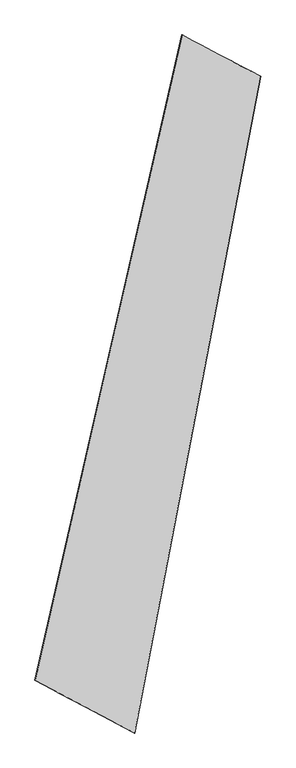
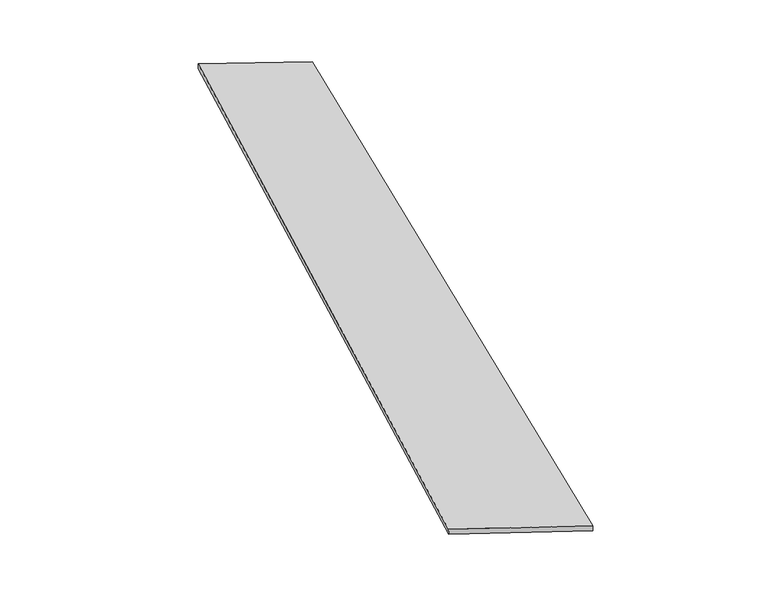
"""IFC4 building model written with IfcOpenShell, lengths in millimetres: proxy geometry."""

import ifcopenshell
import ifcopenshell.guid

model = None  # the IFC model being written
_history = None  # IfcOwnerHistory: only IFC2X3 demands one
_inside = {}  # id of a spatial element -> (the spatial element, [elements in it])
_under = {}  # id of a project, library or spatial element -> (it, [spatial elements below it])
_declared = {}  # id of a project -> (the project, [libraries it declares])
_typed = {}  # id of a type object -> (the type object, [elements of that type])
_made_of = {}  # id of a material, layer set ... -> (it, [elements and type objects made of it])


def new_model(schema):
    """Start an empty IFC model of exactly this schema.

    Asked for "IFC4X3", IfcOpenShell would pick the latest addendum, in which some entities
    have other attributes; the version numbers below select the first issue.
    IFC2X3 requires an IfcOwnerHistory on every rooted entity: one is made here for all.
    """
    global model, _history
    if schema == "IFC4X3":
        model = ifcopenshell.file(schema_version=(4, 3, 0, 0))
    else:
        model = ifcopenshell.file(schema=schema)
    _inside.clear()
    _under.clear()
    _declared.clear()
    _typed.clear()
    _made_of.clear()
    _history = None
    if model.schema == "IFC2X3":
        org = make("IfcOrganization", Name="unknown")
        user = make(
            "IfcPersonAndOrganization",
            ThePerson=make("IfcPerson", FamilyName="unknown"),
            TheOrganization=org,
        )
        app = make(
            "IfcApplication",
            ApplicationDeveloper=org,
            Version="unknown",
            ApplicationFullName="unknown",
            ApplicationIdentifier="unknown",
        )
        _history = make(
            "IfcOwnerHistory",
            OwningUser=user,
            OwningApplication=app,
            ChangeAction="ADDED",
            CreationDate=0,
        )
    return model


def make(cls, **values):
    """One entity of the class cls with the attributes given. An attribute that is None is left unset."""
    return model.create_entity(
        cls, **{name: value for name, value in values.items() if value is not None}
    )


def rooted(cls, **values):
    """An entity with a GlobalId (a new one), such as an element, a storey or a relation."""
    return make(cls, GlobalId=ifcopenshell.guid.new(), OwnerHistory=_history, **values)


def si_unit(unit_type, name, prefix=None):
    """IfcSIUnit, for example si_unit("LENGTHUNIT", "METRE", prefix="MILLI")."""
    return make("IfcSIUnit", UnitType=unit_type, Prefix=prefix, Name=name)


def assignment(units):
    """IfcUnitAssignment: the units of a project."""
    return None if units is None else make("IfcUnitAssignment", Units=units)


def point(xyz):
    """IfcCartesianPoint."""
    return None if xyz is None else make("IfcCartesianPoint", Coordinates=xyz)


def direction(xyz):
    """IfcDirection."""
    return None if xyz is None else make("IfcDirection", DirectionRatios=xyz)


def frame(location, z_axis=None, x_axis=None):
    """IfcAxis2Placement3D, a coordinate frame: its origin and axes. An axis left out is left unset."""
    return make(
        "IfcAxis2Placement3D",
        Location=point(location),
        Axis=direction(z_axis),
        RefDirection=direction(x_axis),
    )


def origin():
    """The frame at (0, 0, 0) with its axes left unset."""
    return frame((0.0, 0.0, 0.0))


def place(relative_to, where):
    """IfcLocalPlacement: puts the frame where relative to a parent placement (None: the world)."""
    return make(
        "IfcLocalPlacement", PlacementRelTo=relative_to, RelativePlacement=where
    )


def context(
    kind, dimensions, precision=None, world=None, true_north=None, identifier=None
):
    """IfcGeometricRepresentationContext, for example the 3D "Model" context."""
    return make(
        "IfcGeometricRepresentationContext",
        ContextIdentifier=identifier,
        ContextType=kind,
        CoordinateSpaceDimension=dimensions,
        Precision=precision,
        WorldCoordinateSystem=world,
        TrueNorth=true_north,
    )


def project(units=None, contexts=None):
    """IfcProject with its units and contexts."""
    return rooted(
        "IfcProject",
        Name="project",
        RepresentationContexts=contexts,
        UnitsInContext=assignment(units),
    )


def spatial(cls, under=None, at=None, **own):
    """A site, building, storey or space (cls), placed at a placement, below another one or the project."""
    s = rooted(cls, ObjectPlacement=at, **own)
    if under is not None:
        _under.setdefault(under.id(), (under, []))[1].append(s)
    return s


def shape(context_of_items, identifier, shape_type, items):
    """IfcShapeRepresentation: the items that make up one representation, for example the "Body"."""
    return make(
        "IfcShapeRepresentation",
        ContextOfItems=context_of_items,
        RepresentationIdentifier=identifier,
        RepresentationType=shape_type,
        Items=items,
    )


def source(mapping_origin, context_of_items, identifier, shape_type, items):
    """IfcRepresentationMap: a shape defined once, which mapped items show again and again."""
    return make(
        "IfcRepresentationMap",
        MappingOrigin=mapping_origin,
        MappedRepresentation=shape(context_of_items, identifier, shape_type, items),
    )


def transform(
    local_origin,
    x_axis=None,
    y_axis=None,
    z_axis=None,
    scale=None,
    scale2=None,
    scale3=None,
    uniform=True,
):
    """IfcCartesianTransformationOperator3D, or its non-uniform kind. x_axis, y_axis, z_axis: its Axis1, 2, 3."""
    if uniform:
        return make(
            "IfcCartesianTransformationOperator3D",
            Axis1=direction(x_axis),
            Axis2=direction(y_axis),
            LocalOrigin=point(local_origin),
            Scale=scale,
            Axis3=direction(z_axis),
        )
    return make(
        "IfcCartesianTransformationOperator3DnonUniform",
        Axis1=direction(x_axis),
        Axis2=direction(y_axis),
        LocalOrigin=point(local_origin),
        Scale=scale,
        Axis3=direction(z_axis),
        Scale2=scale2,
        Scale3=scale3,
    )


def mapped(mapping_source, mapping_target):
    """IfcMappedItem: shows the shape of a source again, moved by a transform."""
    return make(
        "IfcMappedItem", MappingSource=mapping_source, MappingTarget=mapping_target
    )


def made_of(thing, what):
    """Note that an element or type object is made of a material, layer set ...; save() writes the relation."""
    if what is not None:
        _made_of.setdefault(what.id(), (what, []))[1].append(thing)
    return thing


def element(
    cls,
    number,
    at=None,
    inside=None,
    cuts=None,
    type_object=None,
    material=None,
    context=None,
    identifier="Body",
    shape_type=None,
    held_by="IfcProductDefinitionShape",
    body=None,
    shapes=None,
    **own,
):
    """One element of the class cls, such as IfcWall. Its Tag is "e" and its number.

    at: its placement. inside: the storey or other place that contains it. cuts: it is an
    opening in that element (IfcRelVoidsElement). A single representation is given by context,
    identifier, shape_type and body (its items); several are given by shapes. held_by: the class
    of the entity that holds the representations. save() writes the other relations.
    """
    e = rooted(cls, Tag="e%d" % number, ObjectPlacement=at, **own)
    if body is not None:
        shapes = [shape(context, identifier, shape_type, body)]
    if shapes is not None:
        e.Representation = make(held_by, Representations=shapes)
    if inside is not None:
        _inside.setdefault(inside.id(), (inside, []))[1].append(e)
    if cuts is not None:
        rooted(
            "IfcRelVoidsElement", RelatingBuildingElement=cuts, RelatedOpeningElement=e
        )
    if type_object is not None:
        _typed.setdefault(type_object.id(), (type_object, []))[1].append(e)
    return made_of(e, material)


def aggregate(whole, parts):
    """IfcRelAggregates: a whole, such as a stair, and the parts it consists of."""
    return rooted("IfcRelAggregates", RelatingObject=whole, RelatedObjects=parts)


def save(model, path):
    """Write the relations noted so far, then the file.

    IfcRelAggregates (storeys below a building ...), IfcRelContainedInSpatialStructure (elements
    in a storey), IfcRelDefinesByType, IfcRelAssociatesMaterial and IfcRelDeclares: one each for
    every whole, place, type object, material and project.
    """
    for whole, parts in _under.values():
        aggregate(whole, parts)
    for where, things in _inside.values():
        rooted(
            "IfcRelContainedInSpatialStructure",
            RelatedElements=things,
            RelatingStructure=where,
        )
    for kind, things in _typed.values():
        rooted("IfcRelDefinesByType", RelatedObjects=things, RelatingType=kind)
    for what, things in _made_of.values():
        rooted("IfcRelAssociatesMaterial", RelatedObjects=things, RelatingMaterial=what)
    for by, libraries in _declared.values():
        rooted("IfcRelDeclares", RelatingContext=by, RelatedDefinitions=libraries)
    model.write(path)


def spline_surface(u_degree, v_degree, points, u_multiplicities, v_multiplicities, u_knots, v_knots, weights=None):
    """IfcBSplineSurfaceWithKnots; with weights, IfcRationalBSplineSurfaceWithKnots. points: one row for each step in u."""
    own = dict(
        UDegree=u_degree,
        VDegree=v_degree,
        ControlPointsList=[[point(p) for p in row] for row in points],
        SurfaceForm="UNSPECIFIED",
        UClosed=False,
        VClosed=False,
        SelfIntersect=False,
        UMultiplicities=u_multiplicities,
        VMultiplicities=v_multiplicities,
        UKnots=u_knots,
        VKnots=v_knots,
        KnotSpec="UNSPECIFIED",
    )
    if weights is None:
        return make("IfcBSplineSurfaceWithKnots", **own)
    return make("IfcRationalBSplineSurfaceWithKnots", WeightsData=weights, **own)


def advanced_brep(points, edges, surfaces, faces):
    """IfcAdvancedBrep: a solid bounded by faces that lie on surfaces and meet in shared edges.

    An edge is (start, end): straight between two places in points (the first is 0);
    or (start, end, curve); or (start, end, curve, False) where it runs against its curve.
    A face is (place in surfaces, loops), or (place, loops, False) where it looks against
    its surface's normal. A loop lists edges by number (the first is 1), with a minus sign
    where the edge is run from its end to its start. The first loop is the outer one.
    """
    corners = [point(p) for p in points]
    vertices = [make("IfcVertexPoint", VertexGeometry=c) for c in corners]
    made = []
    for start, end, *more in edges:
        made.append(
            make(
                "IfcEdgeCurve",
                EdgeStart=vertices[start],
                EdgeEnd=vertices[end],
                EdgeGeometry=more[0] if more else make("IfcPolyline", Points=[corners[start], corners[end]]),
                SameSense=more[1] if len(more) > 1 else True,
            )
        )
    hull = []
    for where, loops, *sense in faces:
        bounds = []
        for j, loop in enumerate(loops):
            ring = [make("IfcOrientedEdge", EdgeElement=made[abs(k) - 1], Orientation=k > 0) for k in loop]
            bounds.append(
                make(
                    "IfcFaceOuterBound" if j == 0 else "IfcFaceBound",
                    Bound=make("IfcEdgeLoop", EdgeList=ring),
                    Orientation=True,
                )
            )
        hull.append(make("IfcAdvancedFace", Bounds=bounds, FaceSurface=surfaces[where], SameSense=sense[0] if sense else True))
    return make("IfcAdvancedBrep", Outer=make("IfcClosedShell", CfsFaces=hull))


def generic_models_6a21ff0c(model_context):
    return source(origin(), model_context, "Body", "AdvancedBrep", [
        advanced_brep(
        [(-688.8582002, -1745.1074404, -1.3180354), (-689.4852586, -1744.986121, 28.6751651), (262.3073043, 2429.5698229, 31.6439191), (261.3427806, 2429.8107366, 1.6603961), (-44.706541, -2085.7092686, 31.3146065), (772.041041, 2161.0828708, 28.3340545), (-45.1164642, -2085.6513625, 1.3174631), (772.6318838, 2160.9480662, -1.6598238)],
        [
            (0, 1),
            (1, 2),
            (2, 3),
            (3, 0),
            (1, 4),
            (4, 5),
            (5, 2),
            (4, 6),
            (6, 7),
            (7, 5),
            (6, 0),
            (3, 7),
        ],
        [
            spline_surface(1, 1, [[(-688.8582002, -1745.1074404, -1.3180354), (261.3427806, 2429.8107366, 1.6603961)], [(-689.4852586, -1744.986121, 28.6751651), (262.3073043, 2429.5698229, 31.6439191)]], [2, 2], [2, 2], [0.0, 1.0], [0.0, 1.0]),
            spline_surface(1, 1, [[(-689.4852586, -1744.986121, 28.6751651), (262.3073043, 2429.5698229, 31.6439191)], [(-44.706541, -2085.7092686, 31.3146065), (772.041041, 2161.0828708, 28.3340545)]], [2, 2], [2, 2], [0.0, 1.0], [0.0, 1.0]),
            spline_surface(1, 1, [[(-44.706541, -2085.7092686, 31.3146065), (772.041041, 2161.0828708, 28.3340545)], [(-45.1164642, -2085.6513625, 1.3174631), (772.6318838, 2160.9480662, -1.6598238)]], [2, 2], [2, 2], [0.0, 1.0], [0.0, 1.0]),
            spline_surface(1, 1, [[(-45.1164642, -2085.6513625, 1.3174631), (772.6318838, 2160.9480662, -1.6598238)], [(-688.8582002, -1745.1074404, -1.3180354), (261.3427806, 2429.8107366, 1.6603961)]], [2, 2], [2, 2], [0.0, 1.0], [0.0, 1.0]),
            spline_surface(1, 1, [[(262.3073043, 2429.5698229, 31.6439191), (261.3427806, 2429.8107366, 1.6603961)], [(772.041041, 2161.0828708, 28.3340545), (772.6318838, 2160.9480662, -1.6598238)]], [2, 2], [2, 2], [0.0, 1.0], [0.0, 1.0]),
            spline_surface(1, 1, [[(-45.1164642, -2085.6513625, 1.3174631), (-688.8582002, -1745.1074404, -1.3180354)], [(-44.706541, -2085.7092686, 31.3146065), (-689.4852586, -1744.986121, 28.6751651)]], [2, 2], [2, 2], [0.0, 1.0], [0.0, 1.0]),
        ],
        [
            (0, [[1, 2, 3, 4]]),
            (1, [[5, 6, 7, -2]]),
            (2, [[8, 9, 10, -6]]),
            (3, [[11, -4, 12, -9]]),
            (4, [[-3, -7, -10, -12]]),
            (5, [[-11, -8, -5, -1]]),
        ],
    ),
    ])


if __name__ == "__main__":
    model = new_model("IFC4")
    model_context = context("Model", 3, world=origin())
    ifc_project = project(units=[si_unit("LENGTHUNIT", "METRE", prefix="MILLI")], contexts=[model_context])
    site = spatial("IfcSite", under=ifc_project)
    building = spatial("IfcBuilding", under=site)
    placement = place(None, origin())
    generic_models_shape = generic_models_6a21ff0c(model_context)
    element("IfcBuildingElementProxy", 1, Name="Generic Models", at=placement, inside=building, context=model_context, shape_type="MappedRepresentation", body=[
        mapped(generic_models_shape, transform((0.0, 0.0, 0.0), x_axis=(1.0, 0.0, 0.0), y_axis=(0.0, 1.0, 0.0), z_axis=(0.0, 0.0, 1.0))),
    ])
    save(model, "model.ifc")
